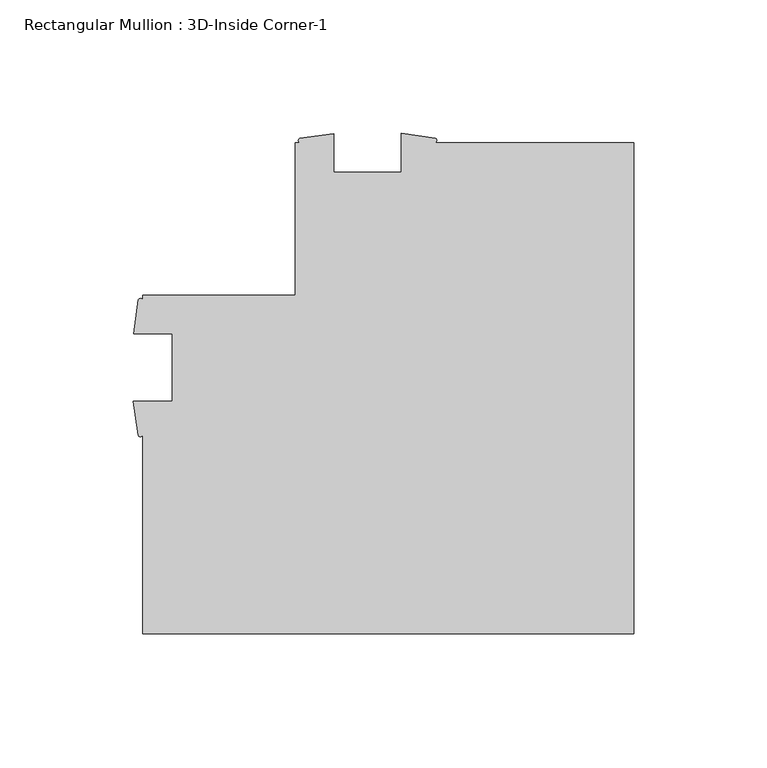
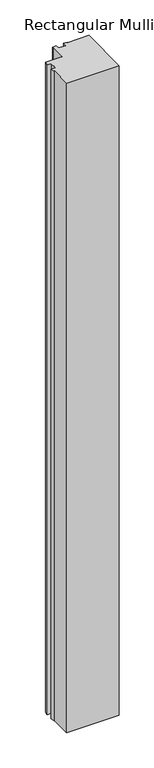
"""IFC4 building model written with IfcOpenShell, lengths in millimetres: member geometry, Rectangular Mullion : 3D-Inside Corner-1."""

from ifc_helpers import new_model, si_unit, point, frame, frame_2d, origin, place, context, project, spatial, polyline, circle_curve, trimmed, segment, composite_curve, outline, extrude, source, transform, mapped, element, save


def rectangular_mullion_3d_inside_corner_1_3b03fbbd(model_context):
    return source(origin(), model_context, "Body", "SweptSolid", [
        extrude(outline(composite_curve([segment(polyline([(0.0, 111.125), (0.0, -73.025), (-184.15, -73.025), (-184.15, 1.2984222)]), True, "CONTINUOUS"), segment(trimmed(circle_curve(frame_2d((-184.9817022, 1.8528756)), 0.9995735), [point((-184.15, 1.2984222))], [point((-185.8134044, 1.2984222))], False, "CARTESIAN"), True, "CONTINUOUS"), segment(polyline([(-185.8134044, 1.2984222), (-187.6695217, 14.071475), (-173.0375, 14.071475), (-173.0375, 39.471475), (-187.546, 39.471475), (-185.7358963, 52.2427625)]), True, "CONTINUOUS"), segment(trimmed(circle_curve(frame_2d((-184.9429481, 51.7433229)), 0.9371268), [point((-185.7358963, 52.2427625))], [point((-184.15, 52.2427625))], False, "CARTESIAN"), True, "CONTINUOUS"), segment(polyline([(-184.15, 52.2427625), (-184.15, 53.975), (-127.0, 53.975), (-127.0, 111.125), (-125.196475, 111.125)]), True, "CONTINUOUS"), segment(trimmed(circle_curve(frame_2d((-124.8409453, 111.923)), 0.8736162), [point((-125.196475, 111.125))], [point((-125.196475, 112.721))], False, "CARTESIAN"), True, "CONTINUOUS"), segment(polyline([(-125.196475, 112.721), (-112.496475, 114.521), (-112.496475, 100.0125), (-87.096475, 100.0125), (-87.096475, 114.6445217), (-74.3234222, 112.7884044)]), True, "CONTINUOUS"), segment(trimmed(circle_curve(frame_2d((-74.87765, 111.9567022)), 0.9994483), [point((-74.3234222, 112.7884044))], [point((-74.3234222, 111.125))], False, "CARTESIAN"), True, "CONTINUOUS"), segment(polyline([(-74.3234222, 111.125), (0.0, 111.125)]), True, "CONTINUOUS")], self_intersect=False)), frame((0.0, 0.0, -2406.5592218), z_axis=(0.0, 0.0, 1.0), x_axis=(1.0, 0.0, 0.0)), (0.0, 0.0, 1.0), 2406.5592218),
    ])


if __name__ == "__main__":
    model = new_model("IFC4")
    model_context = context("Model", 3, world=origin())
    ifc_project = project(units=[si_unit("LENGTHUNIT", "METRE", prefix="MILLI")], contexts=[model_context])
    site = spatial("IfcSite", under=ifc_project)
    building = spatial("IfcBuilding", under=site)
    placement = place(None, origin())
    rectangular_mullion_3d_inside_corner_1_shape = rectangular_mullion_3d_inside_corner_1_3b03fbbd(model_context)
    element("IfcMember", 1, ObjectType="Rectangular Mullion : 3D-Inside Corner-1", at=placement, inside=building, context=model_context, shape_type="MappedRepresentation", body=[
        mapped(rectangular_mullion_3d_inside_corner_1_shape, transform((0.0, 0.0, 0.0), x_axis=(1.0, 0.0, 0.0), y_axis=(0.0, 1.0, 0.0), z_axis=(0.0, 0.0, 1.0))),
    ])
    save(model, "model.ifc")
